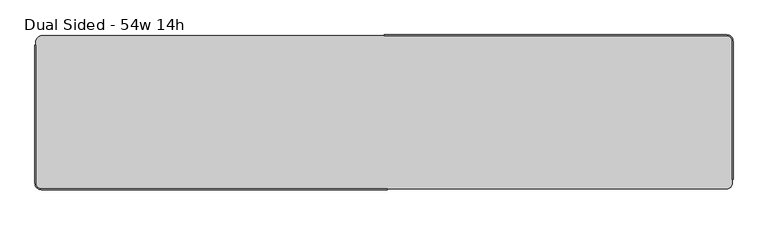
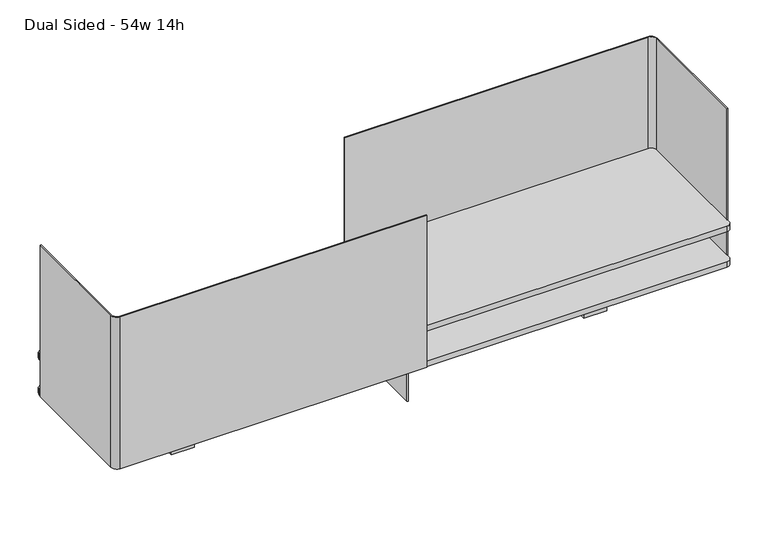
"""IFC4 building model written with IfcOpenShell, lengths in millimetres: furniture geometry, Dual Sided - 54w 14h."""

from ifc_helpers import new_model, si_unit, point, frame, frame_2d, origin, place, context, project, spatial, polyline, circle_curve, trimmed, segment, composite_curve, outline, extrude, source, transform, mapped, element, save


def dual_sided_54w_14h_53a6e923(model_context):
    return source(origin(), model_context, "Body", "SweptSolid", [
        extrude(outline(polyline([(-431.8, -361.8447791), (-482.6, -361.8447791), (-482.6, -323.393458), (-431.8, -323.393458), (-431.8, -361.8447791)])), frame((0.0, 0.0, 736.6), z_axis=(0.0, 0.0, 1.0), x_axis=(1.0, 0.0, 0.0)), (0.0, 0.0, 1.0), 115.5192085),
        extrude(outline(polyline([(431.8, -361.8447791), (431.8, -323.393458), (482.6, -323.393458), (482.6, -361.8447791), (431.8, -361.8447791)])), frame((0.0, 0.0, 736.6), z_axis=(0.0, 0.0, 1.0), x_axis=(1.0, 0.0, 0.0)), (0.0, 0.0, 1.0), 115.5192085),
        extrude(outline(polyline([(1.5875, -433.3841935), (-1.5875, -433.3841935), (-1.5875, -252.4158065), (1.5875, -252.4158065), (1.5875, -433.3841935)])), frame((0.0, 0.0, 736.6), z_axis=(0.0, 0.0, 1.0), x_axis=(1.0, 0.0, 0.0)), (0.0, 0.0, 1.0), 115.5192085),
        extrude(outline(composite_curve([segment(trimmed(circle_curve(frame_2d((-673.1, -482.6)), 11.1125), [point((-684.2125, -482.6))], [point((-673.1, -493.7125))], True, "CARTESIAN"), True, "CONTINUOUS"), segment(polyline([(-673.1, -493.7125), (6.35, -493.7125), (6.35, -495.3), (-673.1, -495.3)]), True, "CONTINUOUS"), segment(trimmed(circle_curve(frame_2d((-673.1, -482.6)), 12.7), [point((-673.1, -495.3))], [point((-685.8, -482.6))], False, "CARTESIAN"), True, "CONTINUOUS"), segment(polyline([(-685.8, -482.6), (-685.8, -211.1375), (-684.2125, -211.1375), (-684.2125, -482.6)]), True, "CONTINUOUS")], self_intersect=False)), frame((0.0, 0.0, 852.1192085), z_axis=(0.0, 0.0, 1.0), x_axis=(1.0, 0.0, 0.0)), (0.0, 0.0, 1.0), 355.6),
        extrude(outline(composite_curve([segment(trimmed(circle_curve(frame_2d((673.1, -203.2)), 11.1125), [point((684.2125, -203.2))], [point((673.1, -192.0875))], True, "CARTESIAN"), True, "CONTINUOUS"), segment(polyline([(673.1, -192.0875), (0.0, -192.0875), (0.0, -190.5), (673.1, -190.5)]), True, "CONTINUOUS"), segment(trimmed(circle_curve(frame_2d((673.1, -203.2)), 12.7), [point((673.1, -190.5))], [point((685.8, -203.2))], False, "CARTESIAN"), True, "CONTINUOUS"), segment(polyline([(685.8, -203.2), (685.8, -474.6625), (684.2125, -474.6625), (684.2125, -203.2)]), True, "CONTINUOUS")], self_intersect=False)), frame((0.0, 0.0, 852.1192085), z_axis=(0.0, 0.0, 1.0), x_axis=(1.0, 0.0, 0.0)), (0.0, 0.0, 1.0), 355.6),
        extrude(outline(composite_curve([segment(polyline([(673.1, -493.7125), (-673.1, -493.7125)]), True, "CONTINUOUS"), segment(trimmed(circle_curve(frame_2d((-673.1, -482.6)), 11.1125), [point((-673.1, -493.7125))], [point((-684.2125, -482.6))], False, "CARTESIAN"), True, "CONTINUOUS"), segment(polyline([(-684.2125, -482.6), (-684.2125, -204.7875)]), True, "CONTINUOUS"), segment(trimmed(circle_curve(frame_2d((-671.5125, -204.7875)), 12.7), [point((-684.2125, -204.7875))], [point((-671.5125, -192.0875))], False, "CARTESIAN"), True, "CONTINUOUS"), segment(polyline([(-671.5125, -192.0875), (673.1, -192.0875)]), True, "CONTINUOUS"), segment(trimmed(circle_curve(frame_2d((673.1, -203.2)), 11.1125), [point((673.1, -192.0875))], [point((684.2125, -203.2))], False, "CARTESIAN"), True, "CONTINUOUS"), segment(polyline([(684.2125, -203.2), (684.2125, -482.6)]), True, "CONTINUOUS"), segment(trimmed(circle_curve(frame_2d((673.1, -482.6)), 11.1125), [point((684.2125, -482.6))], [point((673.1, -493.7125))], False, "CARTESIAN"), True, "CONTINUOUS")], self_intersect=False)), frame((0.0, 0.0, 934.6692327), z_axis=(0.0, 0.0, 1.0), x_axis=(1.0, 0.0, 0.0)), (0.0, 0.0, 1.0), 12.7000242),
        extrude(outline(composite_curve([segment(polyline([(673.1, -493.7125), (-673.1, -493.7125)]), True, "CONTINUOUS"), segment(trimmed(circle_curve(frame_2d((-673.1, -482.6)), 11.1125), [point((-673.1, -493.7125))], [point((-684.2125, -482.6))], False, "CARTESIAN"), True, "CONTINUOUS"), segment(polyline([(-684.2125, -482.6), (-684.2125, -204.7875)]), True, "CONTINUOUS"), segment(trimmed(circle_curve(frame_2d((-671.5125, -204.7875)), 12.7), [point((-684.2125, -204.7875))], [point((-671.5125, -192.0875))], False, "CARTESIAN"), True, "CONTINUOUS"), segment(polyline([(-671.5125, -192.0875), (671.5125, -192.0875)]), True, "CONTINUOUS"), segment(trimmed(circle_curve(frame_2d((671.5125, -204.7875)), 12.7), [point((671.5125, -192.0875))], [point((684.2125, -204.7875))], False, "CARTESIAN"), True, "CONTINUOUS"), segment(polyline([(684.2125, -204.7875), (684.2125, -482.6)]), True, "CONTINUOUS"), segment(trimmed(circle_curve(frame_2d((673.1, -482.6)), 11.1125), [point((684.2125, -482.6))], [point((673.1, -493.7125))], False, "CARTESIAN"), True, "CONTINUOUS")], self_intersect=False)), frame((0.0, 0.0, 852.1192085), z_axis=(0.0, 0.0, 1.0), x_axis=(1.0, 0.0, 0.0)), (0.0, 0.0, 1.0), 12.7000242),
    ])


if __name__ == "__main__":
    model = new_model("IFC4")
    model_context = context("Model", 3, world=origin())
    ifc_project = project(units=[si_unit("LENGTHUNIT", "METRE", prefix="MILLI")], contexts=[model_context])
    site = spatial("IfcSite", under=ifc_project)
    building = spatial("IfcBuilding", under=site)
    placement = place(None, origin())
    dual_sided_54w_14h_shape = dual_sided_54w_14h_53a6e923(model_context)
    element("IfcFurniture", 1, ObjectType="Dual Sided - 54w 14h", at=placement, inside=building, context=model_context, shape_type="MappedRepresentation", body=[
        mapped(dual_sided_54w_14h_shape, transform((0.0, 0.0, 0.0), x_axis=(1.0, 0.0, 0.0), y_axis=(0.0, 1.0, 0.0), z_axis=(0.0, 0.0, 1.0))),
    ])
    save(model, "model.ifc")
